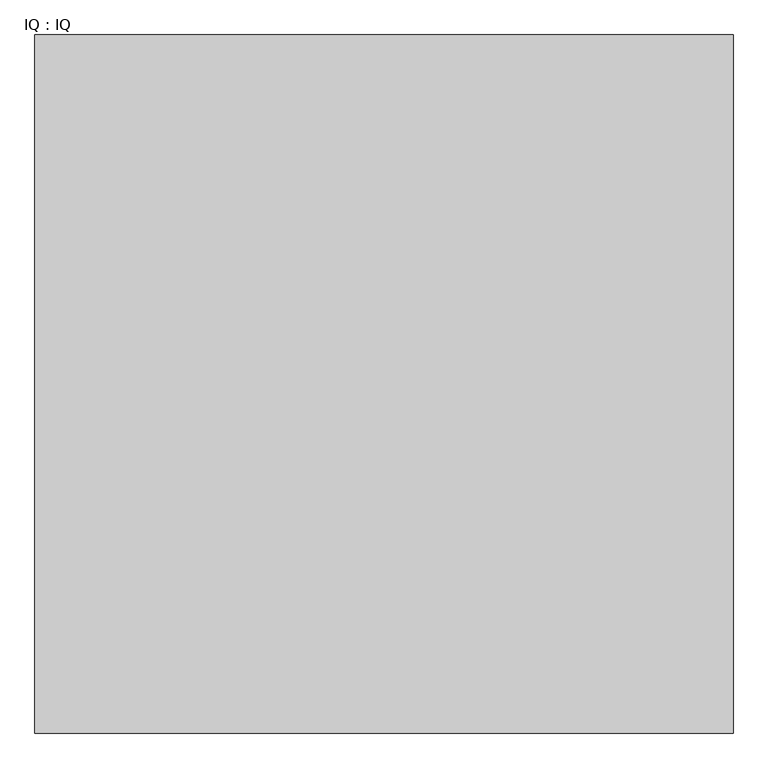
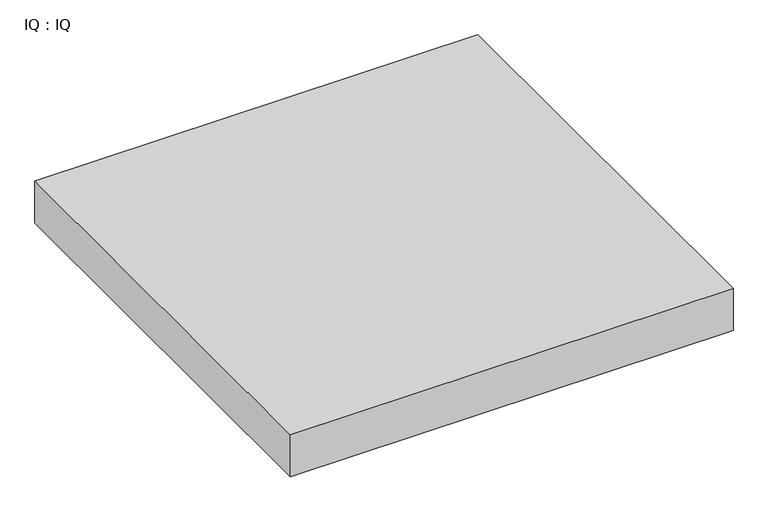
"""IFC4 building model written with IfcOpenShell, lengths in millimetres: proxy geometry, IQ : IQ."""

from ifc_helpers import new_model, si_unit, origin, origin_with_axes, place, context, project, spatial, polyline, outline, extrude, source, transform, mapped, element, save


def iq_iq_1f613e14(model_context):
    return source(origin(), model_context, "Body", "SweptSolid", [
        extrude(outline(polyline([(2000.0, 2000.0), (2000.0, 0.0), (0.0, 0.0), (0.0, 2000.0), (2000.0, 2000.0)])), origin_with_axes(), (0.0, 0.0, 1.0), 200.0),
    ])


if __name__ == "__main__":
    model = new_model("IFC4")
    model_context = context("Model", 3, world=origin())
    ifc_project = project(units=[si_unit("LENGTHUNIT", "METRE", prefix="MILLI")], contexts=[model_context])
    site = spatial("IfcSite", under=ifc_project)
    building = spatial("IfcBuilding", under=site)
    placement = place(None, origin())
    iq_iq_shape = iq_iq_1f613e14(model_context)
    element("IfcBuildingElementProxy", 1, Name="IQ : IQ", ObjectType="IQ : IQ", at=placement, inside=building, context=model_context, shape_type="MappedRepresentation", body=[
        mapped(iq_iq_shape, transform((0.0, 0.0, 0.0), x_axis=(1.0, 0.0, 0.0), y_axis=(0.0, 1.0, 0.0), z_axis=(0.0, 0.0, 1.0))),
    ])
    save(model, "model.ifc")
